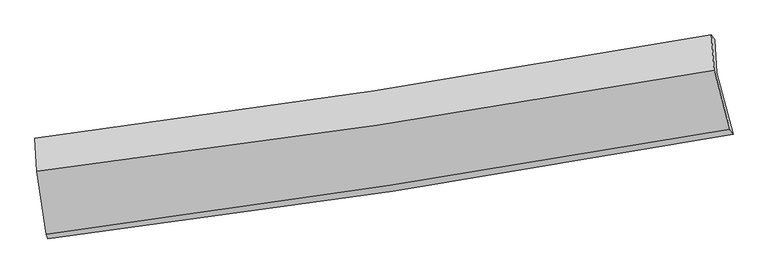
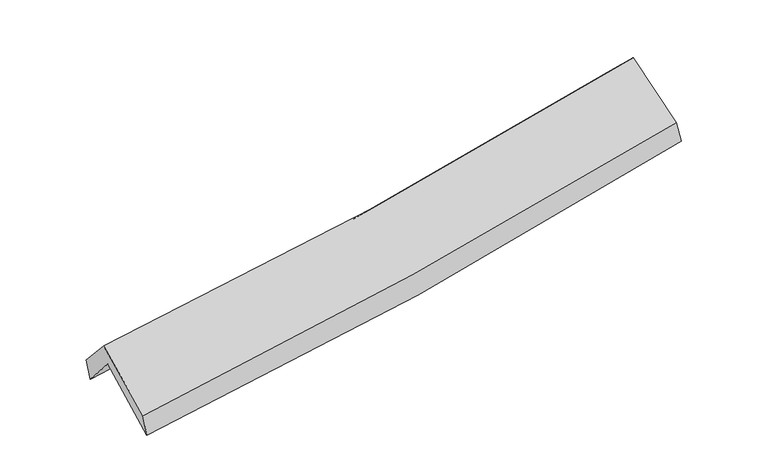
"""IFC4 building model written with IfcOpenShell, lengths in millimetres: proxy geometry."""

from ifc_helpers import new_model, si_unit, frame, origin, place, context, project, spatial, source, transform, mapped, element, save
from ifc_brep_helpers import plane_surface, spline_curve, spline_surface, advanced_brep


def generic_models_d8477809(model_context):
    return source(origin(), model_context, "Body", "AdvancedBrep", [
        advanced_brep(
        [(-2680.3202514, -2498.5760384, 1470.6971263), (-2757.4360447, -2001.1326731, 1904.7250046), (2690.5682545, -1164.9470066, 2380.4977772), (2823.7973292, -1657.2133113, 1954.9358307), (-2770.8447776, -1737.5672254, 1595.5739651), (2676.3363062, -897.634328, 2069.9685997), (-2784.5781711, -1692.21102, 1766.7750429), (2650.1627941, -860.5319903, 2252.3908239), (-2770.2881749, -1955.2800216, 2057.5399776), (2670.9605763, -1143.1935931, 2527.1739453), (-2693.5240164, -2459.6571043, 1645.4789501), (2798.4210994, -1617.0304951, 2124.8204908)],
        [
            (0, 1),
            (1, 2, spline_curve(3, [(-2757.4360447, -2001.1326731, 1904.7250046), (-1841.206449112, -1883.444146908, 1950.221147789), (-928.143108259, -1754.748091061, 2012.736053338), (887.831799977, -1475.927321926, 2171.469549403), (1790.769892256, -1325.894822129, 2267.545568012), (2690.5682545, -1164.9470066, 2380.4977772)], [4, 2, 4], [0.0, 9.143883034433761, 18.249384908626894])),
            (2, 3),
            (3, 0, spline_curve(3, [(2823.7973292, -1657.2133113, 1954.9358307), (1915.329468685, -1822.927145921, 1839.307827741), (1003.39105235, -1975.777275666, 1741.188568681), (-831.285488536, -2256.340191915, 1579.627751985), (-1754.052932304, -2383.944304382, 1516.334109367), (-2680.3202514, -2498.5760384, 1470.6971263)], [4, 2, 4], [0.0, 9.105501874193132, 18.249384908626894])),
            (1, 4),
            (4, 5, spline_curve(3, [(-2770.8447776, -1737.5672254, 1595.5739651), (-1855.765618907, -1615.373682854, 1646.970988843), (-943.345176666, -1484.11627215, 1712.314801326), (872.359578357, -1204.062708985, 1870.563182682), (1775.666163978, -1055.342487104, 1963.350915386), (2676.3363062, -897.634328, 2069.9685997)], [4, 2, 4], [0.0, 9.096270331497156, 18.15435935557048])),
            (5, 2),
            (4, 6),
            (6, 7, spline_curve(3, [(-2784.5781711, -1692.21102, 1766.7750429), (-1871.452612418, -1575.621520258, 1826.733195137), (-961.047957754, -1447.8509566, 1897.28760173), (850.509569878, -1170.53094587, 2059.248296933), (1751.685237157, -1021.075166449, 2150.565817354), (2650.1627941, -860.5319903, 2252.3908239)], [4, 2, 4], [0.0, 9.08509779656119, 18.132061182061072])),
            (7, 5),
            (6, 8),
            (8, 9, spline_curve(3, [(-2770.2881749, -1955.2800216, 2057.5399776), (-1855.273272356, -1846.008485829, 2107.28086164), (-943.381333183, -1723.52880045, 2171.399953), (870.342088312, -1452.722675153, 2328.06505947), (1772.199733265, -1304.506884544, 2420.490624371), (2670.9605763, -1143.1935931, 2527.1739453)], [4, 2, 4], [0.0, 9.076877310017856, 18.11565471420704])),
            (9, 7),
            (8, 10),
            (10, 11, spline_curve(3, [(-2693.5240164, -2459.6571043, 1645.4789501), (-1770.853938163, -2338.279967273, 1698.15599617), (-850.89997563, -2207.204480051, 1764.552451448), (979.725642735, -1926.247697289, 1924.447896941), (1890.420051911, -1776.447648509, 2017.831955157), (2798.4210994, -1617.0304951, 2124.8204908)], [4, 2, 4], [0.0, 9.124230747040244, 18.210162823695505])),
            (11, 9),
            (10, 0),
            (3, 11),
        ],
        [
            spline_surface(3, 3, [[(-2680.3202514, -2498.5760384, 1470.6971263), (-1754.052932288, -2383.944304266, 1516.334109483), (-831.2854884, -2256.340191841, 1579.627751871), (1003.391052215, -1975.777275739, 1741.188568794), (1915.32946856, -1822.92714579, 1839.307827862), (2823.7973292, -1657.2133113, 1954.9358307)], [(-2706.025515839, -2332.761583281, 1615.373085725), (-1783.10410461, -2217.110918438, 1660.963122275), (-863.571361711, -2089.14282491, 1723.997185729), (964.871301479, -1809.160624483, 1884.615562274), (1873.809609772, -1657.249704592, 1982.053741185), (2779.387637637, -1493.124543044, 2096.789812854)], [(-2731.730780261, -2166.947128219, 1760.049045175), (-1812.155276913, -2050.277532667, 1805.592135094), (-895.857235, -1921.945457962, 1868.366619618), (926.351550764, -1642.543973211, 2028.042555785), (1832.289750972, -1491.572263461, 2124.799654545), (2734.977946063, -1329.035774856, 2238.643795046)], [(-2757.4360447, -2001.1326731, 1904.7250046), (-1841.206449234, -1883.444146839, 1950.221147886), (-928.14310831, -1754.748091031, 2012.736053477), (887.831800028, -1475.927321955, 2171.469549264), (1790.769892184, -1325.894822263, 2267.545567869), (2690.5682545, -1164.9470066, 2380.4977772)]], [4, 4], [4, 2, 4], [0.0, 2.196846223778641], [0.0, 9.143883034433761, 18.249384908626894]),
            spline_surface(3, 3, [[(-2757.4360447, -2001.1326731, 1904.7250046), (-1841.206449234, -1883.444146839, 1950.221147886), (-928.14310831, -1754.748091031, 2012.736053477), (887.831800028, -1475.927321955, 2171.469549264), (1790.769892184, -1325.894822263, 2267.545567869), (2690.5682545, -1164.9470066, 2380.4977772)], [(-2761.905622333, -1913.27752388, 1801.674658099), (-1846.059505772, -1794.087325529, 1849.137761579), (-933.210464426, -1664.537484755, 1912.59563606), (882.674392804, -1385.305784244, 2071.167427105), (1785.735316158, -1235.710710527, 2166.147350378), (2685.824271732, -1075.842780407, 2276.988051373)], [(-2766.375199967, -1825.42237462, 1698.624311601), (-1850.912562311, -1704.730504178, 1748.054375276), (-938.277820545, -1574.326878534, 1812.455218641), (877.516985576, -1294.684246589, 1970.865304943), (1780.700740136, -1145.526598771, 2064.749132868), (2681.080288968, -986.738554193, 2173.478325527)], [(-2770.8447776, -1737.5672254, 1595.5739651), (-1855.765618849, -1615.373682868, 1646.97098897), (-943.34517666, -1484.116272258, 1712.314801224), (872.359578351, -1204.062708878, 1870.563182784), (1775.66616411, -1055.342487035, 1963.350915376), (2676.3363062, -897.634328, 2069.9685997)]], [4, 4], [4, 2, 4], [0.0, 1.329479241530771], [0.0, 9.096270331497156, 18.15435935557048]),
            spline_surface(3, 3, [[(-2770.8447776, -1737.5672254, 1595.5739651), (-1855.765618849, -1615.373682868, 1646.97098897), (-943.34517666, -1484.116272258, 1712.314801224), (872.359578351, -1204.062708878, 1870.563182784), (1775.66616411, -1055.342487035, 1963.350915376), (2676.3363062, -897.634328, 2069.9685997)], [(-2775.422575436, -1722.448490255, 1652.640991023), (-1860.994616748, -1602.122962003, 1706.891724325), (-949.246103706, -1472.027833691, 1773.972401395), (865.076242254, -1192.885454586, 1933.458220835), (1767.672521764, -1043.920046862, 2025.755882655), (2667.611802173, -885.266882104, 2130.776007752)], [(-2780.000373264, -1707.329755145, 1709.708016977), (-1866.223614638, -1588.872241174, 1766.812459713), (-955.147030822, -1459.939395079, 1835.63000156), (857.792906088, -1181.708200249, 1996.353258881), (1759.678879397, -1032.497606677, 2088.160849978), (2658.887298127, -872.899436196, 2191.583415848)], [(-2784.5781711, -1692.21102, 1766.7750429), (-1871.452612537, -1575.621520309, 1826.733195068), (-961.047957868, -1447.850956512, 1897.287601731), (850.509569991, -1170.530945957, 2059.248296932), (1751.685237051, -1021.075166503, 2150.565817257), (2650.1627941, -860.5319903, 2252.3908239)]], [4, 4], [4, 2, 4], [0.0, 0.6268997215976356], [0.0, 9.08509779656119, 18.132061182061072]),
            spline_surface(3, 3, [[(-2784.5781711, -1692.21102, 1766.7750429), (-1871.452612537, -1575.621520309, 1826.733195068), (-961.047957868, -1447.850956512, 1897.287601731), (850.509569991, -1170.530945957, 2059.248296932), (1751.685237051, -1021.075166503, 2150.565817257), (2650.1627941, -860.5319903, 2252.3908239)], [(-2779.814839039, -1779.900687214, 1863.696687816), (-1866.059499111, -1665.750508818, 1920.249083945), (-955.15908301, -1539.7435711, 1988.65838543), (857.120409452, -1264.594855717, 2148.853884464), (1758.52340241, -1115.55240587, 2240.540752927), (2657.095388154, -954.752524571, 2343.985197695)], [(-2775.051506961, -1867.590354386, 1960.618332684), (-1860.66638567, -1755.879497284, 2013.764972776), (-949.270208128, -1631.636185733, 2080.029169185), (863.731248937, -1358.658765522, 2238.459472052), (1765.361567807, -1210.029645222, 2330.515688612), (2664.027982246, -1048.973058829, 2435.579571505)], [(-2770.2881749, -1955.2800216, 2057.5399776), (-1855.273272245, -1846.008485793, 2107.280861654), (-943.38133327, -1723.528800321, 2171.399952884), (870.342088398, -1452.722675282, 2328.065059585), (1772.199733167, -1304.506884589, 2420.490624282), (2670.9605763, -1143.1935931, 2527.1739453)]], [4, 4], [4, 2, 4], [0.0, 1.2784646844499794], [0.0, 9.076877310017856, 18.11565471420704]),
            spline_surface(3, 3, [[(-2770.2881749, -1955.2800216, 2057.5399776), (-1855.273272245, -1846.008485793, 2107.280861654), (-943.38133327, -1723.528800321, 2171.399952884), (870.342088398, -1452.722675282, 2328.065059585), (1772.199733167, -1304.506884589, 2420.490624282), (2670.9605763, -1143.1935931, 2527.1739453)], [(-2744.700122055, -2123.405715844, 1920.186301755), (-1827.133494255, -2010.09897968, 1970.905906469), (-912.554214016, -1884.754026874, 2035.784119082), (906.803273147, -1610.564349324, 2193.526005362), (1811.606506047, -1461.820472554, 2286.271067911), (2713.447417331, -1301.139227108, 2393.056127154)], [(-2719.112069245, -2291.531410056, 1782.832625945), (-1798.9937163, -2174.189473537, 1834.530951319), (-881.727094779, -2045.979253402, 1900.168285277), (943.26445788, -1768.406023342, 2058.986951137), (1851.013278933, -1619.134060494, 2152.051511476), (2755.934258369, -1459.084861092, 2258.938308946)], [(-2693.5240164, -2459.6571043, 1645.4789501), (-1770.853938311, -2338.279967424, 1698.155996135), (-850.899975524, -2207.204479955, 1764.552451474), (979.725642629, -1926.247697384, 1924.447896915), (1890.420051812, -1776.447648459, 2017.831955105), (2798.4210994, -1617.0304951, 2124.8204908)]], [4, 4], [4, 2, 4], [0.0, 2.0839860891889948], [0.0, 9.124230747040244, 18.210162823695505]),
            spline_surface(3, 3, [[(-2693.5240164, -2459.6571043, 1645.4789501), (-1770.853938311, -2338.279967424, 1698.155996135), (-850.899975524, -2207.204479955, 1764.552451474), (979.725642629, -1926.247697384, 1924.447896915), (1890.420051812, -1776.447648459, 2017.831955105), (2798.4210994, -1617.0304951, 2124.8204908)], [(-2689.122761397, -2472.630082326, 1587.218342183), (-1765.253602967, -2353.501413031, 1637.548700601), (-844.361813165, -2223.583050588, 1702.910884965), (987.614112476, -1942.75755684, 1863.361454234), (1898.723190733, -1791.940814235, 1958.323912695), (2806.879842671, -1630.424767166, 2068.192270771)], [(-2684.721506403, -2485.603060374, 1528.957734217), (-1759.653267632, -2368.722858659, 1576.941405017), (-837.82365076, -2239.961621208, 1641.26931838), (995.502582368, -1959.267416283, 1802.275011475), (1907.02632964, -1807.433980013, 1898.815870272), (2815.338585929, -1643.819039234, 2011.564050729)], [(-2680.3202514, -2498.5760384, 1470.6971263), (-1754.052932288, -2383.944304266, 1516.334109483), (-831.2854884, -2256.340191841, 1579.627751871), (1003.391052215, -1975.777275739, 1741.188568794), (1915.32946856, -1822.92714579, 1839.307827862), (2823.7973292, -1657.2133113, 1954.9358307)]], [4, 4], [4, 2, 4], [0.0, 0.6293116351527612], [0.0, 9.180047657873459, 18.321562355641607]),
            plane_surface(frame((2718.3743933, -1223.4251207, 2218.2979113), z_axis=(0.9790961266447247, 0.1741671994569615, 0.1050550399677071), x_axis=(0.20086703296141467, -0.7467269889255339, -0.6340751052355578))),
            plane_surface(frame((-2742.831906, -2057.4040138, 1740.1316778), z_axis=(-0.9926691534694654, -0.10978734362375094, -0.05054395048129722), x_axis=(-0.07353865843188842, 0.2167598558323325, 0.9734511958057191))),
        ],
        [
            (0, [[1, 2, 3, 4]]),
            (1, [[5, 6, 7, -2]]),
            (2, [[8, 9, 10, -6]]),
            (3, [[11, 12, 13, -9]]),
            (4, [[14, 15, 16, -12]]),
            (5, [[17, -4, 18, -15]]),
            (6, [[-16, -18, -3, -7, -10, -13]]),
            (7, [[-17, -14, -11, -8, -5, -1]]),
        ],
    ),
    ])


if __name__ == "__main__":
    model = new_model("IFC4")
    model_context = context("Model", 3, world=origin())
    ifc_project = project(units=[si_unit("LENGTHUNIT", "METRE", prefix="MILLI")], contexts=[model_context])
    site = spatial("IfcSite", under=ifc_project)
    building = spatial("IfcBuilding", under=site)
    placement = place(None, origin())
    generic_models_shape = generic_models_d8477809(model_context)
    element("IfcBuildingElementProxy", 1, Name="Generic Models", at=placement, inside=building, context=model_context, shape_type="MappedRepresentation", body=[
        mapped(generic_models_shape, transform((0.0, 0.0, 0.0), x_axis=(1.0, 0.0, 0.0), y_axis=(0.0, 1.0, 0.0), z_axis=(0.0, 0.0, 1.0))),
    ])
    save(model, "model.ifc")
